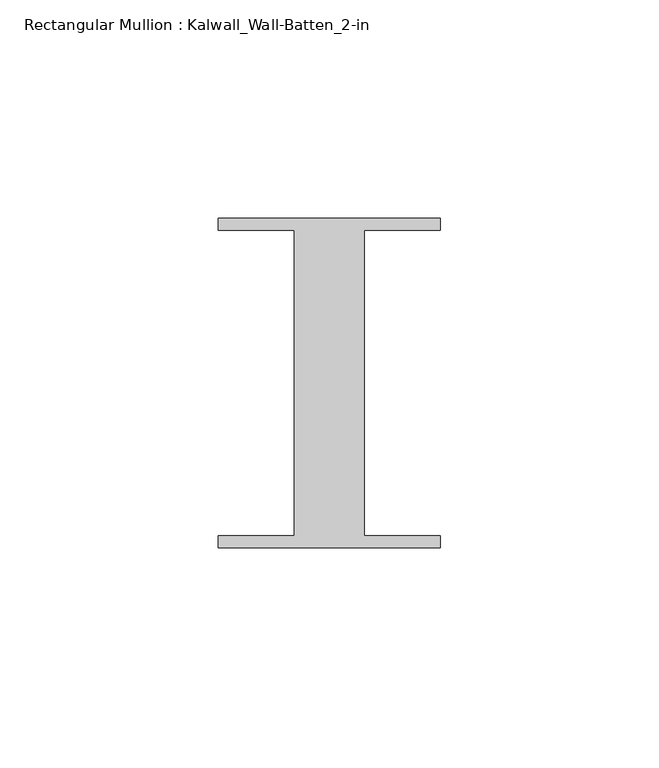
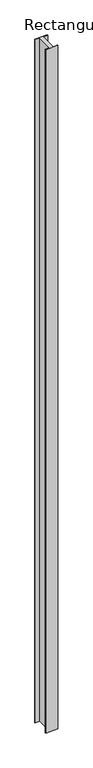
"""IFC4 building model written with IfcOpenShell, lengths in millimetres: member geometry, Rectangular Mullion : Kalwall_Wall-Batten_2-in."""

from ifc_helpers import new_model, si_unit, frame, origin, place, context, project, spatial, polyline, outline, extrude, source, transform, mapped, element, save


def rectangular_mullion_kalwall_wall_batten_2_in_64f68507(model_context):
    return source(origin(), model_context, "Body", "SweptSolid", [
        extrude(outline(polyline([(-25.5, 37.794), (25.5, 37.794), (25.5, 35.0), (8.0, 35.0), (8.0, -35.0), (25.5, -35.0), (25.5, -37.794), (-25.5, -37.794), (-25.5, -35.0), (-8.0, -35.0), (-8.0, 35.0), (-25.5, 35.0), (-25.5, 37.794)])), frame((0.0, 0.0, -2962.275), z_axis=(0.0, 0.0, 1.0), x_axis=(1.0, 0.0, 0.0)), (0.0, 0.0, 1.0), 2962.275),
    ])


if __name__ == "__main__":
    model = new_model("IFC4")
    model_context = context("Model", 3, world=origin())
    ifc_project = project(units=[si_unit("LENGTHUNIT", "METRE", prefix="MILLI")], contexts=[model_context])
    site = spatial("IfcSite", under=ifc_project)
    building = spatial("IfcBuilding", under=site)
    placement = place(None, origin())
    rectangular_mullion_kalwall_wall_batten_2_in_shape = rectangular_mullion_kalwall_wall_batten_2_in_64f68507(model_context)
    element("IfcMember", 1, ObjectType="Rectangular Mullion : Kalwall_Wall-Batten_2-in", at=placement, inside=building, context=model_context, shape_type="MappedRepresentation", body=[
        mapped(rectangular_mullion_kalwall_wall_batten_2_in_shape, transform((0.0, 0.0, 0.0), x_axis=(1.0, 0.0, 0.0), y_axis=(0.0, 1.0, 0.0), z_axis=(0.0, 0.0, 1.0))),
    ])
    save(model, "model.ifc")
